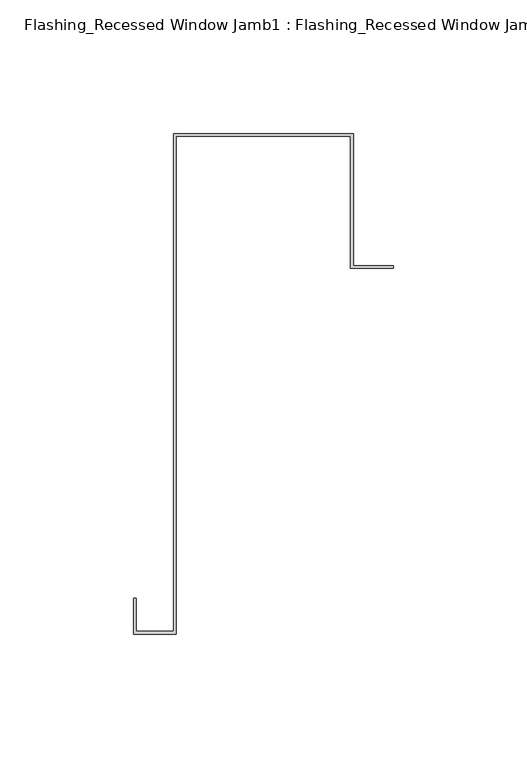
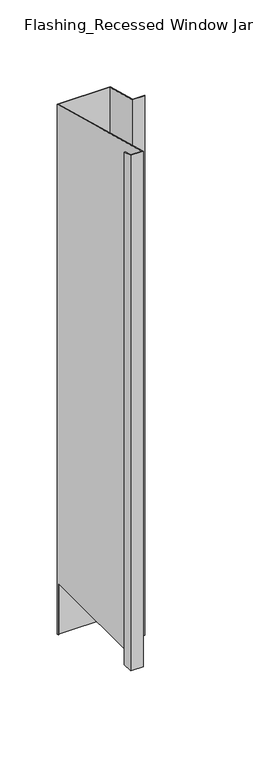
"""IFC4 building model written with IfcOpenShell, lengths in millimetres: proxy geometry, Flashing_Recessed Window Jamb1 : Flashing_Recessed Window Jamb."""

from ifc_helpers import new_model, si_unit, origin, place, context, project, spatial, faceted_brep, source, transform, mapped, element, save


def flashing_recessed_window_jamb1_flashing_recessed_window_jamb_dbf4fc08(model_context):
    return source(origin(), model_context, "Body", "Brep", [
        faceted_brep([(13692.8541786, 608.2365096, -1055.1751138), (13692.8541786, 657.7344915, -1055.1751138), (13627.4791786, 657.7344915, -1055.1751138), (13627.4791786, 656.8026399, -1055.1751138), (13626.4791786, 656.8026399, -1055.1751138), (13626.4791786, 658.7344915, -1055.1751138), (13693.8541786, 658.7344915, -1055.1751138), (13693.8541786, 609.2365096, -1055.1751138), (13708.8541786, 609.2365096, -1055.1751138), (13708.8541786, 608.2365096, -1055.1751138), (13693.8541786, 658.7344915, -343.2151173), (13693.8541786, 609.2365096, -329.952173), (13626.4791786, 658.7344915, -343.2151173), (13626.4791786, 656.8026399, -985.662203), (13626.4791786, 472.3615096, -985.662203), (13626.4791786, 472.3615096, -293.2766273), (13612.4791786, 472.3615096, -293.2766273), (13612.4791786, 472.3615096, -985.662203), (13612.4791786, 484.6872381, -296.5792963), (13612.4791786, 484.6872381, -985.662203), (13611.4791786, 484.6872381, -296.5792963), (13611.4791786, 484.6872381, -985.662203), (13611.4791786, 471.3615096, -293.0086781), (13611.4791786, 471.3615096, -985.662203), (13627.4791786, 471.3615096, -293.0086781), (13627.4791786, 471.3615096, -985.662203), (13627.4791786, 657.7344915, -342.9471681), (13627.4791786, 656.8026399, -985.662203), (13692.8541786, 657.7344915, -342.9471681), (13692.8541786, 608.2365096, -329.6842238), (13708.8541786, 608.2365096, -329.6842238), (13708.8541786, 609.2365096, -329.952173)], [[[0, 1, 2, 3, 4, 5, 6, 7, 8, 9]], [[7, 6, 10, 11]], [[6, 5, 12, 10]], [[12, 5, 4, 13, 14, 15]], [[16, 15, 14, 17]], [[18, 16, 17, 19]], [[20, 18, 19, 21]], [[22, 20, 21, 23]], [[24, 22, 23, 25]], [[2, 26, 24, 25, 27, 3]], [[2, 1, 28, 26]], [[1, 0, 29, 28]], [[0, 9, 30, 29]], [[9, 8, 31, 30]], [[8, 7, 11, 31]], [[11, 10, 12, 15, 16, 18, 20, 22, 24, 26, 28, 29, 30, 31]], [[13, 27, 25, 23, 21, 19, 17, 14]], [[27, 13, 4, 3]]]),
    ])


if __name__ == "__main__":
    model = new_model("IFC4")
    model_context = context("Model", 3, world=origin())
    ifc_project = project(units=[si_unit("LENGTHUNIT", "METRE", prefix="MILLI")], contexts=[model_context])
    site = spatial("IfcSite", under=ifc_project)
    building = spatial("IfcBuilding", under=site)
    placement = place(None, origin())
    flashing_recessed_window_jamb1_flashing_recessed_window_jamb_shape = flashing_recessed_window_jamb1_flashing_recessed_window_jamb_dbf4fc08(model_context)
    element("IfcBuildingElementProxy", 1, Name="Flashing_Recessed Window Jamb1 : Flashing_Recessed Window Jamb", ObjectType="Flashing_Recessed Window Jamb1 : Flashing_Recessed Window Jamb", at=placement, inside=building, context=model_context, shape_type="MappedRepresentation", body=[
        mapped(flashing_recessed_window_jamb1_flashing_recessed_window_jamb_shape, transform((0.0, 0.0, 0.0), x_axis=(1.0, 0.0, 0.0), y_axis=(0.0, 1.0, 0.0), z_axis=(0.0, 0.0, 1.0))),
    ])
    save(model, "model.ifc")
